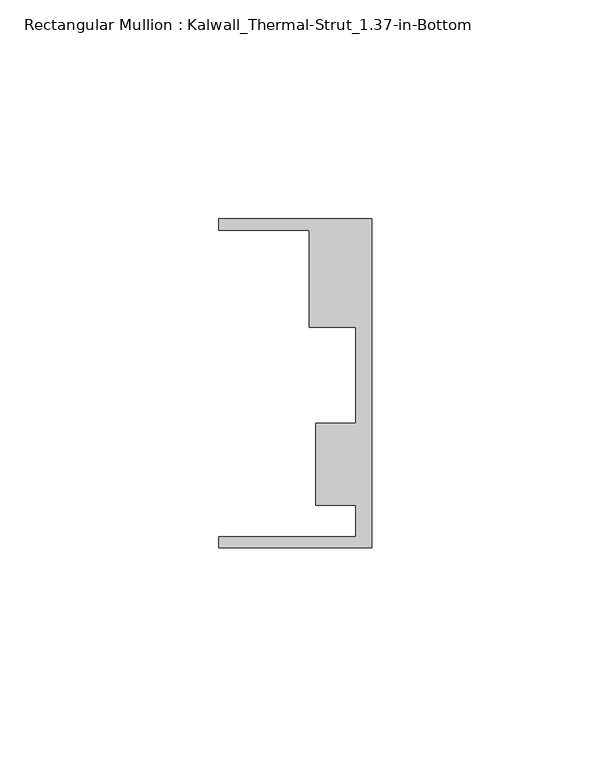
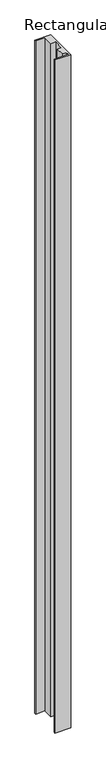
"""IFC4 building model written with IfcOpenShell, lengths in millimetres: member geometry, Rectangular Mullion : Kalwall_Thermal-Strut_1.37-in-Bottom."""

from ifc_helpers import new_model, si_unit, frame, origin, place, context, project, spatial, polyline, outline, extrude, source, transform, mapped, element, save


def rectangular_mullion_kalwall_thermal_strut_1_37_in_bottom_db7c32e8(model_context):
    return source(origin(), model_context, "Body", "SweptSolid", [
        extrude(outline(polyline([(0.0, -37.5776386), (-34.925, -37.5776386), (-34.925, -35.0376386), (-3.7084, -35.0376386), (-3.7084, -27.8888568), (-12.8272539, -27.8888568), (-12.8272539, -9.1879886), (-3.7084, -9.1879886), (-3.7084, 12.7373614), (-14.2875, 12.7373614), (-14.2875, 34.9623614), (-34.925, 34.9623614), (-34.925, 37.5023614), (0.0, 37.5023614), (0.0, -37.5776386)])), frame((0.0, 0.0, -1560.5770003), z_axis=(0.0, 0.0, 1.0), x_axis=(1.0, 0.0, 0.0)), (0.0, 0.0, 1.0), 1560.5770003),
    ])


if __name__ == "__main__":
    model = new_model("IFC4")
    model_context = context("Model", 3, world=origin())
    ifc_project = project(units=[si_unit("LENGTHUNIT", "METRE", prefix="MILLI")], contexts=[model_context])
    site = spatial("IfcSite", under=ifc_project)
    building = spatial("IfcBuilding", under=site)
    placement = place(None, origin())
    rectangular_mullion_kalwall_thermal_strut_1_37_in_bottom_shape = rectangular_mullion_kalwall_thermal_strut_1_37_in_bottom_db7c32e8(model_context)
    element("IfcMember", 1, ObjectType="Rectangular Mullion : Kalwall_Thermal-Strut_1.37-in-Bottom", at=placement, inside=building, context=model_context, shape_type="MappedRepresentation", body=[
        mapped(rectangular_mullion_kalwall_thermal_strut_1_37_in_bottom_shape, transform((0.0, 0.0, 0.0), x_axis=(1.0, 0.0, 0.0), y_axis=(0.0, 1.0, 0.0), z_axis=(0.0, 0.0, 1.0))),
    ])
    save(model, "model.ifc")
